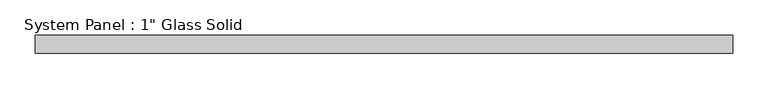
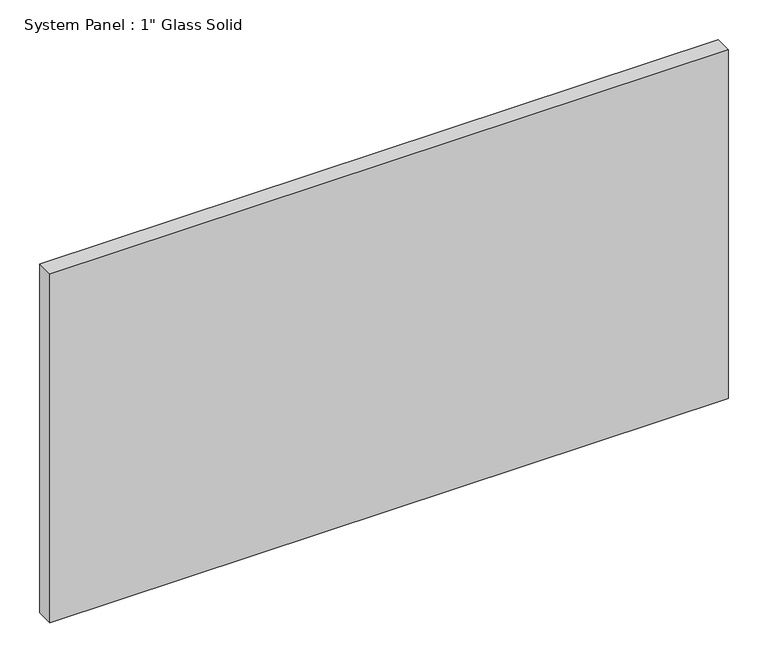
"""IFC4 building model written with IfcOpenShell, lengths in millimetres: plate geometry."""

import ifcopenshell
import ifcopenshell.guid

model = None  # the IFC model being written
_history = None  # IfcOwnerHistory: only IFC2X3 demands one
_inside = {}  # id of a spatial element -> (the spatial element, [elements in it])
_under = {}  # id of a project, library or spatial element -> (it, [spatial elements below it])
_declared = {}  # id of a project -> (the project, [libraries it declares])
_typed = {}  # id of a type object -> (the type object, [elements of that type])
_made_of = {}  # id of a material, layer set ... -> (it, [elements and type objects made of it])


def new_model(schema):
    """Start an empty IFC model of exactly this schema.

    Asked for "IFC4X3", IfcOpenShell would pick the latest addendum, in which some entities
    have other attributes; the version numbers below select the first issue.
    IFC2X3 requires an IfcOwnerHistory on every rooted entity: one is made here for all.
    """
    global model, _history
    if schema == "IFC4X3":
        model = ifcopenshell.file(schema_version=(4, 3, 0, 0))
    else:
        model = ifcopenshell.file(schema=schema)
    _inside.clear()
    _under.clear()
    _declared.clear()
    _typed.clear()
    _made_of.clear()
    _history = None
    if model.schema == "IFC2X3":
        org = make("IfcOrganization", Name="unknown")
        user = make(
            "IfcPersonAndOrganization",
            ThePerson=make("IfcPerson", FamilyName="unknown"),
            TheOrganization=org,
        )
        app = make(
            "IfcApplication",
            ApplicationDeveloper=org,
            Version="unknown",
            ApplicationFullName="unknown",
            ApplicationIdentifier="unknown",
        )
        _history = make(
            "IfcOwnerHistory",
            OwningUser=user,
            OwningApplication=app,
            ChangeAction="ADDED",
            CreationDate=0,
        )
    return model


def make(cls, **values):
    """One entity of the class cls with the attributes given. An attribute that is None is left unset."""
    return model.create_entity(
        cls, **{name: value for name, value in values.items() if value is not None}
    )


def rooted(cls, **values):
    """An entity with a GlobalId (a new one), such as an element, a storey or a relation."""
    return make(cls, GlobalId=ifcopenshell.guid.new(), OwnerHistory=_history, **values)


def si_unit(unit_type, name, prefix=None):
    """IfcSIUnit, for example si_unit("LENGTHUNIT", "METRE", prefix="MILLI")."""
    return make("IfcSIUnit", UnitType=unit_type, Prefix=prefix, Name=name)


def assignment(units):
    """IfcUnitAssignment: the units of a project."""
    return None if units is None else make("IfcUnitAssignment", Units=units)


def point(xyz):
    """IfcCartesianPoint."""
    return None if xyz is None else make("IfcCartesianPoint", Coordinates=xyz)


def direction(xyz):
    """IfcDirection."""
    return None if xyz is None else make("IfcDirection", DirectionRatios=xyz)


def frame(location, z_axis=None, x_axis=None):
    """IfcAxis2Placement3D, a coordinate frame: its origin and axes. An axis left out is left unset."""
    return make(
        "IfcAxis2Placement3D",
        Location=point(location),
        Axis=direction(z_axis),
        RefDirection=direction(x_axis),
    )


def origin():
    """The frame at (0, 0, 0) with its axes left unset."""
    return frame((0.0, 0.0, 0.0))


def origin_with_axes():
    """The frame at (0, 0, 0) with the z axis (0, 0, 1) and the x axis (1, 0, 0) written out."""
    return frame((0.0, 0.0, 0.0), z_axis=(0.0, 0.0, 1.0), x_axis=(1.0, 0.0, 0.0))


def place(relative_to, where):
    """IfcLocalPlacement: puts the frame where relative to a parent placement (None: the world)."""
    return make(
        "IfcLocalPlacement", PlacementRelTo=relative_to, RelativePlacement=where
    )


def context(
    kind, dimensions, precision=None, world=None, true_north=None, identifier=None
):
    """IfcGeometricRepresentationContext, for example the 3D "Model" context."""
    return make(
        "IfcGeometricRepresentationContext",
        ContextIdentifier=identifier,
        ContextType=kind,
        CoordinateSpaceDimension=dimensions,
        Precision=precision,
        WorldCoordinateSystem=world,
        TrueNorth=true_north,
    )


def project(units=None, contexts=None):
    """IfcProject with its units and contexts."""
    return rooted(
        "IfcProject",
        Name="project",
        RepresentationContexts=contexts,
        UnitsInContext=assignment(units),
    )


def spatial(cls, under=None, at=None, **own):
    """A site, building, storey or space (cls), placed at a placement, below another one or the project."""
    s = rooted(cls, ObjectPlacement=at, **own)
    if under is not None:
        _under.setdefault(under.id(), (under, []))[1].append(s)
    return s


def polyline(points):
    """IfcPolyline through the points."""
    return make("IfcPolyline", Points=[point(p) for p in points])


def outline(outer, holes=None, kind="AREA"):
    """IfcArbitraryClosedProfileDef: a profile drawn as a closed curve; with holes, ...WithVoids."""
    if holes is None:
        return make("IfcArbitraryClosedProfileDef", ProfileType=kind, OuterCurve=outer)
    return make(
        "IfcArbitraryProfileDefWithVoids",
        ProfileType=kind,
        OuterCurve=outer,
        InnerCurves=holes,
    )


def extrude(swept, where, along, depth):
    """IfcExtrudedAreaSolid: the profile swept, set in the frame where, extruded along a direction by depth."""
    return make(
        "IfcExtrudedAreaSolid",
        SweptArea=swept,
        Position=where,
        ExtrudedDirection=direction(along),
        Depth=depth,
    )


def shape(context_of_items, identifier, shape_type, items):
    """IfcShapeRepresentation: the items that make up one representation, for example the "Body"."""
    return make(
        "IfcShapeRepresentation",
        ContextOfItems=context_of_items,
        RepresentationIdentifier=identifier,
        RepresentationType=shape_type,
        Items=items,
    )


def source(mapping_origin, context_of_items, identifier, shape_type, items):
    """IfcRepresentationMap: a shape defined once, which mapped items show again and again."""
    return make(
        "IfcRepresentationMap",
        MappingOrigin=mapping_origin,
        MappedRepresentation=shape(context_of_items, identifier, shape_type, items),
    )


def transform(
    local_origin,
    x_axis=None,
    y_axis=None,
    z_axis=None,
    scale=None,
    scale2=None,
    scale3=None,
    uniform=True,
):
    """IfcCartesianTransformationOperator3D, or its non-uniform kind. x_axis, y_axis, z_axis: its Axis1, 2, 3."""
    if uniform:
        return make(
            "IfcCartesianTransformationOperator3D",
            Axis1=direction(x_axis),
            Axis2=direction(y_axis),
            LocalOrigin=point(local_origin),
            Scale=scale,
            Axis3=direction(z_axis),
        )
    return make(
        "IfcCartesianTransformationOperator3DnonUniform",
        Axis1=direction(x_axis),
        Axis2=direction(y_axis),
        LocalOrigin=point(local_origin),
        Scale=scale,
        Axis3=direction(z_axis),
        Scale2=scale2,
        Scale3=scale3,
    )


def mapped(mapping_source, mapping_target):
    """IfcMappedItem: shows the shape of a source again, moved by a transform."""
    return make(
        "IfcMappedItem", MappingSource=mapping_source, MappingTarget=mapping_target
    )


def made_of(thing, what):
    """Note that an element or type object is made of a material, layer set ...; save() writes the relation."""
    if what is not None:
        _made_of.setdefault(what.id(), (what, []))[1].append(thing)
    return thing


def element(
    cls,
    number,
    at=None,
    inside=None,
    cuts=None,
    type_object=None,
    material=None,
    context=None,
    identifier="Body",
    shape_type=None,
    held_by="IfcProductDefinitionShape",
    body=None,
    shapes=None,
    **own,
):
    """One element of the class cls, such as IfcWall. Its Tag is "e" and its number.

    at: its placement. inside: the storey or other place that contains it. cuts: it is an
    opening in that element (IfcRelVoidsElement). A single representation is given by context,
    identifier, shape_type and body (its items); several are given by shapes. held_by: the class
    of the entity that holds the representations. save() writes the other relations.
    """
    e = rooted(cls, Tag="e%d" % number, ObjectPlacement=at, **own)
    if body is not None:
        shapes = [shape(context, identifier, shape_type, body)]
    if shapes is not None:
        e.Representation = make(held_by, Representations=shapes)
    if inside is not None:
        _inside.setdefault(inside.id(), (inside, []))[1].append(e)
    if cuts is not None:
        rooted(
            "IfcRelVoidsElement", RelatingBuildingElement=cuts, RelatedOpeningElement=e
        )
    if type_object is not None:
        _typed.setdefault(type_object.id(), (type_object, []))[1].append(e)
    return made_of(e, material)


def aggregate(whole, parts):
    """IfcRelAggregates: a whole, such as a stair, and the parts it consists of."""
    return rooted("IfcRelAggregates", RelatingObject=whole, RelatedObjects=parts)


def save(model, path):
    """Write the relations noted so far, then the file.

    IfcRelAggregates (storeys below a building ...), IfcRelContainedInSpatialStructure (elements
    in a storey), IfcRelDefinesByType, IfcRelAssociatesMaterial and IfcRelDeclares: one each for
    every whole, place, type object, material and project.
    """
    for whole, parts in _under.values():
        aggregate(whole, parts)
    for where, things in _inside.values():
        rooted(
            "IfcRelContainedInSpatialStructure",
            RelatedElements=things,
            RelatingStructure=where,
        )
    for kind, things in _typed.values():
        rooted("IfcRelDefinesByType", RelatedObjects=things, RelatingType=kind)
    for what, things in _made_of.values():
        rooted("IfcRelAssociatesMaterial", RelatedObjects=things, RelatingMaterial=what)
    for by, libraries in _declared.values():
        rooted("IfcRelDeclares", RelatingContext=by, RelatedDefinitions=libraries)
    model.write(path)


def plate_7fe9b153(model_context):
    return source(origin(), model_context, "Body", "SweptSolid", [
        extrude(outline(polyline([(492.1258852, -12.7), (-492.1258852, -12.7), (-492.1258852, 12.7), (492.1258852, 12.7), (492.1258852, -12.7)])), origin_with_axes(), (0.0, 0.0, 1.0), 535.4191382),
    ])


if __name__ == "__main__":
    model = new_model("IFC4")
    model_context = context("Model", 3, world=origin())
    ifc_project = project(units=[si_unit("LENGTHUNIT", "METRE", prefix="MILLI")], contexts=[model_context])
    site = spatial("IfcSite", under=ifc_project)
    building = spatial("IfcBuilding", under=site)
    placement = place(None, origin())
    plate_shape = plate_7fe9b153(model_context)
    element("IfcPlate", 1, ObjectType="System Panel : 1\" Glass Solid", at=placement, inside=building, context=model_context, shape_type="MappedRepresentation", body=[
        mapped(plate_shape, transform((0.0, 0.0, 0.0), x_axis=(1.0, 0.0, 0.0), y_axis=(0.0, 1.0, 0.0), z_axis=(0.0, 0.0, 1.0))),
    ])
    save(model, "model.ifc")
